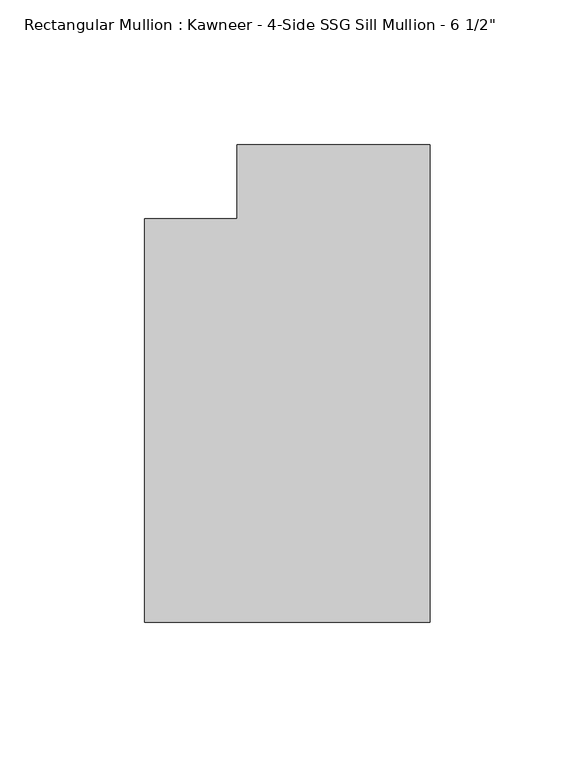
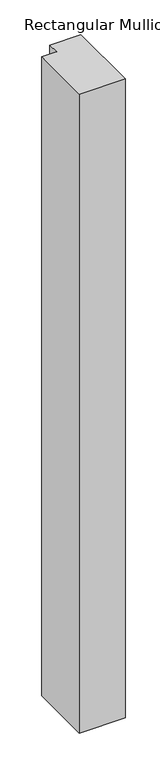
"""IFC4 building model written with IfcOpenShell, lengths in millimetres: member geometry."""

from ifc_helpers import new_model, si_unit, frame, origin, place, context, project, spatial, polyline, outline, extrude, source, transform, mapped, element, save


def member_e51ff9b1(model_context):
    return source(origin(), model_context, "Body", "SweptSolid", [
        extrude(outline(polyline([(0.0, -151.892), (-98.425, -151.892), (-98.425, -12.7), (-66.6751132, -12.7), (-66.6751132, 12.7), (0.0, 12.7), (0.0, -151.892)])), frame((0.0, 0.0, -1449.9766175), z_axis=(0.0, 0.0, 1.0), x_axis=(1.0, 0.0, 0.0)), (0.0, 0.0, 1.0), 1449.9766175),
    ])


if __name__ == "__main__":
    model = new_model("IFC4")
    model_context = context("Model", 3, world=origin())
    ifc_project = project(units=[si_unit("LENGTHUNIT", "METRE", prefix="MILLI")], contexts=[model_context])
    site = spatial("IfcSite", under=ifc_project)
    building = spatial("IfcBuilding", under=site)
    placement = place(None, origin())
    member_shape = member_e51ff9b1(model_context)
    element("IfcMember", 1, ObjectType="Rectangular Mullion : Kawneer - 4-Side SSG Sill Mullion - 6 1/2\"", at=placement, inside=building, context=model_context, shape_type="MappedRepresentation", body=[
        mapped(member_shape, transform((0.0, 0.0, 0.0), x_axis=(1.0, 0.0, 0.0), y_axis=(0.0, 1.0, 0.0), z_axis=(0.0, 0.0, 1.0))),
    ])
    save(model, "model.ifc")
